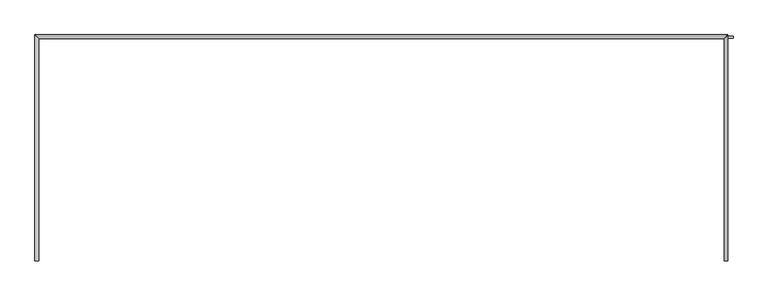
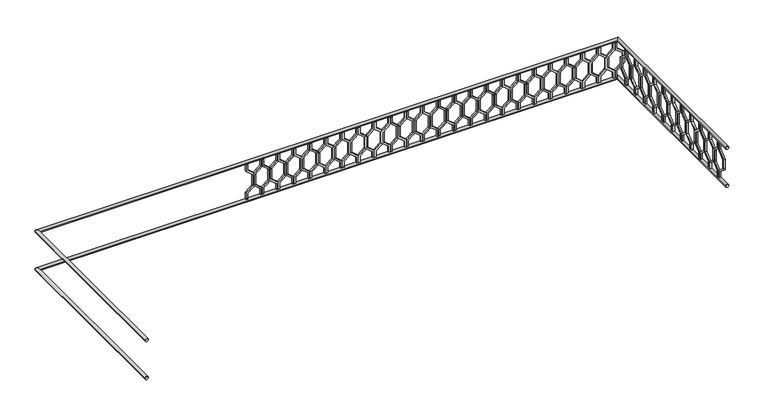
"""IFC4 building model written with IfcOpenShell, lengths in millimetres: railing geometry."""

from ifc_helpers import new_model, si_unit, frame, origin, place, context, project, spatial, polyline, circle_curve, ellipse_curve, outline, extrude, source, transform, mapped, element, save
from ifc_brep_helpers import plane_surface, cylinder_surface, advanced_brep


def railing_55e1f49f(model_context):
    return source(origin(), model_context, "Body", "SolidModel", [
        advanced_brep(
        [(42360.0112841, 903.1079487, 8880.0), (42320.0112841, 903.1079487, 8880.0), (42320.0112841, 3283.1079487, 8880.0), (42360.0112841, 3243.1079487, 8880.0), (49600.0112841, 3283.1079487, 8880.0), (49560.0112841, 3243.1079487, 8880.0), (49560.0112841, 903.1079487, 8880.0), (49600.0112841, 903.1079487, 8880.0)],
        [
            (0, 1, circle_curve(frame((42340.0112841, 903.1079487, 8880.0), z_axis=(0.0, -1.0, 0.0), x_axis=(-1.0, 0.0, 0.0)), 20.0)),
            (1, 0, circle_curve(frame((42340.0112841, 903.1079487, 8880.0), z_axis=(0.0, -1.0, 0.0), x_axis=(-1.0, 0.0, 0.0)), 20.0)),
            (1, 2),
            (2, 3, ellipse_curve(frame((42340.0112841, 3263.1079487, 8880.0), z_axis=(-0.7071067811865475, -0.7071067811865476, 0.0), x_axis=(0.7071067811865476, -0.7071067811865475, 0.0)), 28.2842712, 20.0)),
            (3, 0),
            (3, 2, ellipse_curve(frame((42340.0112841, 3263.1079487, 8880.0), z_axis=(-0.7071067811865475, -0.7071067811865476, 0.0), x_axis=(0.7071067811865476, -0.7071067811865475, 0.0)), 28.2842712, 20.0)),
            (2, 4),
            (4, 5, ellipse_curve(frame((49580.0112841, 3263.1079487, 8880.0), z_axis=(-0.7071067811865481, 0.7071067811865469, 0.0), x_axis=(-0.7071067811865469, -0.7071067811865481, 0.0)), 28.2842712, 20.0)),
            (5, 3),
            (5, 4, ellipse_curve(frame((49580.0112841, 3263.1079487, 8880.0), z_axis=(-0.7071067811865481, 0.7071067811865469, 0.0), x_axis=(-0.7071067811865469, -0.7071067811865481, 0.0)), 28.2842712, 20.0)),
            (6, 7, circle_curve(frame((49580.0112841, 903.1079487, 8880.0), z_axis=(0.0, -1.0, 0.0), x_axis=(1.0, 0.0, 0.0)), 20.0)),
            (7, 6, circle_curve(frame((49580.0112841, 903.1079487, 8880.0), z_axis=(0.0, -1.0, 0.0), x_axis=(1.0, 0.0, 0.0)), 20.0)),
            (4, 7),
            (6, 5),
        ],
        [
            plane_surface(frame((42340.0112841, 903.1079487, 8900.0), z_axis=(0.0, -1.0, 0.0), x_axis=(0.0, 0.0, 1.0))),
            cylinder_surface(frame((42340.0112841, 903.1079487, 8880.0), z_axis=(0.0, -1.0, 0.0), x_axis=(-1.0, 0.0, 0.0)), 20.0),
            cylinder_surface(frame((42340.0112841, 3263.1079487, 8880.0), z_axis=(-1.0, 0.0, 0.0), x_axis=(0.0, 1.0, 0.0)), 20.0),
            plane_surface(frame((49580.0112841, 903.1079487, 8900.0), z_axis=(0.0, -1.0, 0.0), x_axis=(0.0, 0.0, -1.0))),
            cylinder_surface(frame((49580.0112841, 3263.1079487, 8880.0), z_axis=(0.0, 1.0, 0.0), x_axis=(1.0, 0.0, 0.0)), 20.0),
        ],
        [
            (0, [[1, 2]]),
            (1, [[-2, 3, 4, 5]]),
            (1, [[-1, -5, 6, -3]]),
            (2, [[-4, 7, 8, 9]]),
            (2, [[-6, -9, 10, -7]]),
            (3, [[11, 12]]),
            (4, [[-8, 13, -11, 14]]),
            (4, [[-10, -14, -12, -13]]),
        ],
    ),
        advanced_brep(
        [(42360.0112841, 903.1079487, 8380.0), (42320.0112841, 903.1079487, 8380.0), (42320.0112841, 3283.1079487, 8380.0), (42360.0112841, 3243.1079487, 8380.0), (49600.0112841, 3283.1079487, 8380.0), (49560.0112841, 3243.1079487, 8380.0), (49560.0112841, 903.1079487, 8380.0), (49600.0112841, 903.1079487, 8380.0)],
        [
            (0, 1, circle_curve(frame((42340.0112841, 903.1079487, 8380.0), z_axis=(0.0, -1.0, 0.0), x_axis=(-1.0, 0.0, 0.0)), 20.0)),
            (1, 0, circle_curve(frame((42340.0112841, 903.1079487, 8380.0), z_axis=(0.0, -1.0, 0.0), x_axis=(-1.0, 0.0, 0.0)), 20.0)),
            (1, 2),
            (2, 3, ellipse_curve(frame((42340.0112841, 3263.1079487, 8380.0), z_axis=(-0.7071067811865475, -0.7071067811865476, 0.0), x_axis=(0.7071067811865476, -0.7071067811865475, 0.0)), 28.2842712, 20.0)),
            (3, 0),
            (3, 2, ellipse_curve(frame((42340.0112841, 3263.1079487, 8380.0), z_axis=(-0.7071067811865475, -0.7071067811865476, 0.0), x_axis=(0.7071067811865476, -0.7071067811865475, 0.0)), 28.2842712, 20.0)),
            (2, 4),
            (4, 5, ellipse_curve(frame((49580.0112841, 3263.1079487, 8380.0), z_axis=(-0.7071067811865481, 0.7071067811865469, 0.0), x_axis=(-0.7071067811865469, -0.7071067811865481, 0.0)), 28.2842712, 20.0)),
            (5, 3),
            (5, 4, ellipse_curve(frame((49580.0112841, 3263.1079487, 8380.0), z_axis=(-0.7071067811865481, 0.7071067811865469, 0.0), x_axis=(-0.7071067811865469, -0.7071067811865481, 0.0)), 28.2842712, 20.0)),
            (6, 7, circle_curve(frame((49580.0112841, 903.1079487, 8380.0), z_axis=(0.0, -1.0, 0.0), x_axis=(1.0, 0.0, 0.0)), 20.0)),
            (7, 6, circle_curve(frame((49580.0112841, 903.1079487, 8380.0), z_axis=(0.0, -1.0, 0.0), x_axis=(1.0, 0.0, 0.0)), 20.0)),
            (4, 7),
            (6, 5),
        ],
        [
            plane_surface(frame((42340.0112841, 903.1079487, 8400.0), z_axis=(0.0, -1.0, 0.0), x_axis=(0.0, 0.0, 1.0))),
            cylinder_surface(frame((42340.0112841, 903.1079487, 8380.0), z_axis=(0.0, -1.0, 0.0), x_axis=(-1.0, 0.0, 0.0)), 20.0),
            cylinder_surface(frame((42340.0112841, 3263.1079487, 8380.0), z_axis=(-1.0, 0.0, 0.0), x_axis=(0.0, 1.0, 0.0)), 20.0),
            plane_surface(frame((49580.0112841, 903.1079487, 8400.0), z_axis=(0.0, -1.0, 0.0), x_axis=(0.0, 0.0, -1.0))),
            cylinder_surface(frame((49580.0112841, 3263.1079487, 8380.0), z_axis=(0.0, 1.0, 0.0), x_axis=(1.0, 0.0, 0.0)), 20.0),
        ],
        [
            (0, [[1, 2]]),
            (1, [[-2, 3, 4, 5]]),
            (1, [[-1, -5, 6, -3]]),
            (2, [[-4, 7, 8, 9]]),
            (2, [[-6, -9, 10, -7]]),
            (3, [[11, 12]]),
            (4, [[-8, 13, -11, 14]]),
            (4, [[-10, -14, -12, -13]]),
        ],
    ),
        extrude(outline(polyline([(1068.1079487, 8860.0), (1068.1079487, 8770.448155), (969.1129993, 8690.448155), (969.1129993, 8569.551845), (1068.1079487, 8489.551845), (1068.1079487, 8400.0), (1048.1079487, 8400.0), (1048.1079487, 8480.0), (949.1129993, 8560.0), (949.1129993, 8700.0), (1048.1079487, 8780.0), (1048.1079487, 8860.0), (1068.1079487, 8860.0)])), frame((49565.0112841, 0.0, 0.0), z_axis=(1.0, 0.0, 0.0), x_axis=(0.0, 1.0, 0.0)), (0.0, 0.0, 1.0), 20.0),
        extrude(outline(polyline([(1068.1079487, 8860.0), (1088.1079487, 8860.0), (1088.1079487, 8780.0), (1187.102898, 8700.0), (1187.102898, 8560.0), (1088.1079487, 8480.0), (1088.1079487, 8400.0), (1068.1079487, 8400.0), (1068.1079487, 8489.551845), (1167.102898, 8569.551845), (1167.102898, 8690.448155), (1068.1079487, 8770.448155), (1068.1079487, 8860.0)])), frame((49565.0112841, 0.0, 0.0), z_axis=(1.0, 0.0, 0.0), x_axis=(0.0, 1.0, 0.0)), (0.0, 0.0, 1.0), 20.0),
        extrude(outline(polyline([(1268.1079487, 8860.0), (1268.1079487, 8770.448155), (1169.1129993, 8690.448155), (1169.1129993, 8569.551845), (1268.1079487, 8489.551845), (1268.1079487, 8400.0), (1248.1079487, 8400.0), (1248.1079487, 8480.0), (1149.1129993, 8560.0), (1149.1129993, 8700.0), (1248.1079487, 8780.0), (1248.1079487, 8860.0), (1268.1079487, 8860.0)])), frame((49565.0112841, 0.0, 0.0), z_axis=(1.0, 0.0, 0.0), x_axis=(0.0, 1.0, 0.0)), (0.0, 0.0, 1.0), 20.0),
        extrude(outline(polyline([(1268.1079487, 8860.0), (1288.1079487, 8860.0), (1288.1079487, 8780.0), (1387.102898, 8700.0), (1387.102898, 8560.0), (1288.1079487, 8480.0), (1288.1079487, 8400.0), (1268.1079487, 8400.0), (1268.1079487, 8489.551845), (1367.102898, 8569.551845), (1367.102898, 8690.448155), (1268.1079487, 8770.448155), (1268.1079487, 8860.0)])), frame((49565.0112841, 0.0, 0.0), z_axis=(1.0, 0.0, 0.0), x_axis=(0.0, 1.0, 0.0)), (0.0, 0.0, 1.0), 20.0),
        extrude(outline(polyline([(1468.1079487, 8860.0), (1468.1079487, 8770.448155), (1369.1129993, 8690.448155), (1369.1129993, 8569.551845), (1468.1079487, 8489.551845), (1468.1079487, 8400.0), (1448.1079487, 8400.0), (1448.1079487, 8480.0), (1349.1129993, 8560.0), (1349.1129993, 8700.0), (1448.1079487, 8780.0), (1448.1079487, 8860.0), (1468.1079487, 8860.0)])), frame((49565.0112841, 0.0, 0.0), z_axis=(1.0, 0.0, 0.0), x_axis=(0.0, 1.0, 0.0)), (0.0, 0.0, 1.0), 20.0),
        extrude(outline(polyline([(1468.1079487, 8860.0), (1488.1079487, 8860.0), (1488.1079487, 8780.0), (1587.102898, 8700.0), (1587.102898, 8560.0), (1488.1079487, 8480.0), (1488.1079487, 8400.0), (1468.1079487, 8400.0), (1468.1079487, 8489.551845), (1567.102898, 8569.551845), (1567.102898, 8690.448155), (1468.1079487, 8770.448155), (1468.1079487, 8860.0)])), frame((49565.0112841, 0.0, 0.0), z_axis=(1.0, 0.0, 0.0), x_axis=(0.0, 1.0, 0.0)), (0.0, 0.0, 1.0), 20.0),
        extrude(outline(polyline([(1668.1079487, 8860.0), (1668.1079487, 8770.448155), (1569.1129993, 8690.448155), (1569.1129993, 8569.551845), (1668.1079487, 8489.551845), (1668.1079487, 8400.0), (1648.1079487, 8400.0), (1648.1079487, 8480.0), (1549.1129993, 8560.0), (1549.1129993, 8700.0), (1648.1079487, 8780.0), (1648.1079487, 8860.0), (1668.1079487, 8860.0)])), frame((49565.0112841, 0.0, 0.0), z_axis=(1.0, 0.0, 0.0), x_axis=(0.0, 1.0, 0.0)), (0.0, 0.0, 1.0), 20.0),
        extrude(outline(polyline([(1668.1079487, 8860.0), (1688.1079487, 8860.0), (1688.1079487, 8780.0), (1787.102898, 8700.0), (1787.102898, 8560.0), (1688.1079487, 8480.0), (1688.1079487, 8400.0), (1668.1079487, 8400.0), (1668.1079487, 8489.551845), (1767.102898, 8569.551845), (1767.102898, 8690.448155), (1668.1079487, 8770.448155), (1668.1079487, 8860.0)])), frame((49565.0112841, 0.0, 0.0), z_axis=(1.0, 0.0, 0.0), x_axis=(0.0, 1.0, 0.0)), (0.0, 0.0, 1.0), 20.0),
        extrude(outline(polyline([(1868.1079487, 8860.0), (1868.1079487, 8770.448155), (1769.1129993, 8690.448155), (1769.1129993, 8569.551845), (1868.1079487, 8489.551845), (1868.1079487, 8400.0), (1848.1079487, 8400.0), (1848.1079487, 8480.0), (1749.1129993, 8560.0), (1749.1129993, 8700.0), (1848.1079487, 8780.0), (1848.1079487, 8860.0), (1868.1079487, 8860.0)])), frame((49565.0112841, 0.0, 0.0), z_axis=(1.0, 0.0, 0.0), x_axis=(0.0, 1.0, 0.0)), (0.0, 0.0, 1.0), 20.0),
        extrude(outline(polyline([(1868.1079487, 8860.0), (1888.1079487, 8860.0), (1888.1079487, 8780.0), (1987.102898, 8700.0), (1987.102898, 8560.0), (1888.1079487, 8480.0), (1888.1079487, 8400.0), (1868.1079487, 8400.0), (1868.1079487, 8489.551845), (1967.102898, 8569.551845), (1967.102898, 8690.448155), (1868.1079487, 8770.448155), (1868.1079487, 8860.0)])), frame((49565.0112841, 0.0, 0.0), z_axis=(1.0, 0.0, 0.0), x_axis=(0.0, 1.0, 0.0)), (0.0, 0.0, 1.0), 20.0),
        extrude(outline(polyline([(2068.1079487, 8860.0), (2068.1079487, 8770.448155), (1969.1129993, 8690.448155), (1969.1129993, 8569.551845), (2068.1079487, 8489.551845), (2068.1079487, 8400.0), (2048.1079487, 8400.0), (2048.1079487, 8480.0), (1949.1129993, 8560.0), (1949.1129993, 8700.0), (2048.1079487, 8780.0), (2048.1079487, 8860.0), (2068.1079487, 8860.0)])), frame((49565.0112841, 0.0, 0.0), z_axis=(1.0, 0.0, 0.0), x_axis=(0.0, 1.0, 0.0)), (0.0, 0.0, 1.0), 20.0),
        extrude(outline(polyline([(2068.1079487, 8860.0), (2088.1079487, 8860.0), (2088.1079487, 8780.0), (2187.102898, 8700.0), (2187.102898, 8560.0), (2088.1079487, 8480.0), (2088.1079487, 8400.0), (2068.1079487, 8400.0), (2068.1079487, 8489.551845), (2167.102898, 8569.551845), (2167.102898, 8690.448155), (2068.1079487, 8770.448155), (2068.1079487, 8860.0)])), frame((49565.0112841, 0.0, 0.0), z_axis=(1.0, 0.0, 0.0), x_axis=(0.0, 1.0, 0.0)), (0.0, 0.0, 1.0), 20.0),
        extrude(outline(polyline([(2268.1079487, 8860.0), (2268.1079487, 8770.448155), (2169.1129993, 8690.448155), (2169.1129993, 8569.551845), (2268.1079487, 8489.551845), (2268.1079487, 8400.0), (2248.1079487, 8400.0), (2248.1079487, 8480.0), (2149.1129993, 8560.0), (2149.1129993, 8700.0), (2248.1079487, 8780.0), (2248.1079487, 8860.0), (2268.1079487, 8860.0)])), frame((49565.0112841, 0.0, 0.0), z_axis=(1.0, 0.0, 0.0), x_axis=(0.0, 1.0, 0.0)), (0.0, 0.0, 1.0), 20.0),
        extrude(outline(polyline([(2268.1079487, 8860.0), (2288.1079487, 8860.0), (2288.1079487, 8780.0), (2387.102898, 8700.0), (2387.102898, 8560.0), (2288.1079487, 8480.0), (2288.1079487, 8400.0), (2268.1079487, 8400.0), (2268.1079487, 8489.551845), (2367.102898, 8569.551845), (2367.102898, 8690.448155), (2268.1079487, 8770.448155), (2268.1079487, 8860.0)])), frame((49565.0112841, 0.0, 0.0), z_axis=(1.0, 0.0, 0.0), x_axis=(0.0, 1.0, 0.0)), (0.0, 0.0, 1.0), 20.0),
        extrude(outline(polyline([(2468.1079487, 8860.0), (2468.1079487, 8770.448155), (2369.1129993, 8690.448155), (2369.1129993, 8569.551845), (2468.1079487, 8489.551845), (2468.1079487, 8400.0), (2448.1079487, 8400.0), (2448.1079487, 8480.0), (2349.1129993, 8560.0), (2349.1129993, 8700.0), (2448.1079487, 8780.0), (2448.1079487, 8860.0), (2468.1079487, 8860.0)])), frame((49565.0112841, 0.0, 0.0), z_axis=(1.0, 0.0, 0.0), x_axis=(0.0, 1.0, 0.0)), (0.0, 0.0, 1.0), 20.0),
        extrude(outline(polyline([(2468.1079487, 8860.0), (2488.1079487, 8860.0), (2488.1079487, 8780.0), (2587.102898, 8700.0), (2587.102898, 8560.0), (2488.1079487, 8480.0), (2488.1079487, 8400.0), (2468.1079487, 8400.0), (2468.1079487, 8489.551845), (2567.102898, 8569.551845), (2567.102898, 8690.448155), (2468.1079487, 8770.448155), (2468.1079487, 8860.0)])), frame((49565.0112841, 0.0, 0.0), z_axis=(1.0, 0.0, 0.0), x_axis=(0.0, 1.0, 0.0)), (0.0, 0.0, 1.0), 20.0),
        extrude(outline(polyline([(2668.1079487, 8860.0), (2668.1079487, 8770.448155), (2569.1129993, 8690.448155), (2569.1129993, 8569.551845), (2668.1079487, 8489.551845), (2668.1079487, 8400.0), (2648.1079487, 8400.0), (2648.1079487, 8480.0), (2549.1129993, 8560.0), (2549.1129993, 8700.0), (2648.1079487, 8780.0), (2648.1079487, 8860.0), (2668.1079487, 8860.0)])), frame((49565.0112841, 0.0, 0.0), z_axis=(1.0, 0.0, 0.0), x_axis=(0.0, 1.0, 0.0)), (0.0, 0.0, 1.0), 20.0),
        extrude(outline(polyline([(2668.1079487, 8860.0), (2688.1079487, 8860.0), (2688.1079487, 8780.0), (2787.102898, 8700.0), (2787.102898, 8560.0), (2688.1079487, 8480.0), (2688.1079487, 8400.0), (2668.1079487, 8400.0), (2668.1079487, 8489.551845), (2767.102898, 8569.551845), (2767.102898, 8690.448155), (2668.1079487, 8770.448155), (2668.1079487, 8860.0)])), frame((49565.0112841, 0.0, 0.0), z_axis=(1.0, 0.0, 0.0), x_axis=(0.0, 1.0, 0.0)), (0.0, 0.0, 1.0), 20.0),
        extrude(outline(polyline([(2868.1079487, 8860.0), (2868.1079487, 8770.448155), (2769.1129993, 8690.448155), (2769.1129993, 8569.551845), (2868.1079487, 8489.551845), (2868.1079487, 8400.0), (2848.1079487, 8400.0), (2848.1079487, 8480.0), (2749.1129993, 8560.0), (2749.1129993, 8700.0), (2848.1079487, 8780.0), (2848.1079487, 8860.0), (2868.1079487, 8860.0)])), frame((49565.0112841, 0.0, 0.0), z_axis=(1.0, 0.0, 0.0), x_axis=(0.0, 1.0, 0.0)), (0.0, 0.0, 1.0), 20.0),
        extrude(outline(polyline([(2868.1079487, 8860.0), (2888.1079487, 8860.0), (2888.1079487, 8780.0), (2987.102898, 8700.0), (2987.102898, 8560.0), (2888.1079487, 8480.0), (2888.1079487, 8400.0), (2868.1079487, 8400.0), (2868.1079487, 8489.551845), (2967.102898, 8569.551845), (2967.102898, 8690.448155), (2868.1079487, 8770.448155), (2868.1079487, 8860.0)])), frame((49565.0112841, 0.0, 0.0), z_axis=(1.0, 0.0, 0.0), x_axis=(0.0, 1.0, 0.0)), (0.0, 0.0, 1.0), 20.0),
        extrude(outline(polyline([(3068.1079487, 8860.0), (3068.1079487, 8770.448155), (2969.1129993, 8690.448155), (2969.1129993, 8569.551845), (3068.1079487, 8489.551845), (3068.1079487, 8400.0), (3048.1079487, 8400.0), (3048.1079487, 8480.0), (2949.1129993, 8560.0), (2949.1129993, 8700.0), (3048.1079487, 8780.0), (3048.1079487, 8860.0), (3068.1079487, 8860.0)])), frame((49565.0112841, 0.0, 0.0), z_axis=(1.0, 0.0, 0.0), x_axis=(0.0, 1.0, 0.0)), (0.0, 0.0, 1.0), 20.0),
        extrude(outline(polyline([(3068.1079487, 8860.0), (3088.1079487, 8860.0), (3088.1079487, 8780.0), (3187.102898, 8700.0), (3187.102898, 8560.0), (3088.1079487, 8480.0), (3088.1079487, 8400.0), (3068.1079487, 8400.0), (3068.1079487, 8489.551845), (3167.102898, 8569.551845), (3167.102898, 8690.448155), (3068.1079487, 8770.448155), (3068.1079487, 8860.0)])), frame((49565.0112841, 0.0, 0.0), z_axis=(1.0, 0.0, 0.0), x_axis=(0.0, 1.0, 0.0)), (0.0, 0.0, 1.0), 20.0),
        extrude(outline(polyline([(8860.0, 49535.0112841), (8770.448155, 49535.0112841), (8690.448155, 49634.0062335), (8569.551845, 49634.0062335), (8489.551845, 49535.0112841), (8400.0, 49535.0112841), (8400.0, 49555.0112841), (8480.0, 49555.0112841), (8560.0, 49654.0062335), (8700.0, 49654.0062335), (8780.0, 49555.0112841), (8860.0, 49555.0112841), (8860.0, 49535.0112841)])), frame((0.0, 3248.1079487, 0.0), z_axis=(0.0, 1.0, 0.0), x_axis=(0.0, 0.0, 1.0)), (0.0, 0.0, 1.0), 20.0),
        extrude(outline(polyline([(8860.0, 49535.0112841), (8860.0, 49515.0112841), (8780.0, 49515.0112841), (8700.0, 49416.0163347), (8560.0, 49416.0163347), (8480.0, 49515.0112841), (8400.0, 49515.0112841), (8400.0, 49535.0112841), (8489.551845, 49535.0112841), (8569.551845, 49436.0163347), (8690.448155, 49436.0163347), (8770.448155, 49535.0112841), (8860.0, 49535.0112841)])), frame((0.0, 3248.1079487, 0.0), z_axis=(0.0, 1.0, 0.0), x_axis=(0.0, 0.0, 1.0)), (0.0, 0.0, 1.0), 20.0),
        extrude(outline(polyline([(8860.0, 49335.0112841), (8770.448155, 49335.0112841), (8690.448155, 49434.0062335), (8569.551845, 49434.0062335), (8489.551845, 49335.0112841), (8400.0, 49335.0112841), (8400.0, 49355.0112841), (8480.0, 49355.0112841), (8560.0, 49454.0062335), (8700.0, 49454.0062335), (8780.0, 49355.0112841), (8860.0, 49355.0112841), (8860.0, 49335.0112841)])), frame((0.0, 3248.1079487, 0.0), z_axis=(0.0, 1.0, 0.0), x_axis=(0.0, 0.0, 1.0)), (0.0, 0.0, 1.0), 20.0),
        extrude(outline(polyline([(8860.0, 49335.0112841), (8860.0, 49315.0112841), (8780.0, 49315.0112841), (8700.0, 49216.0163347), (8560.0, 49216.0163347), (8480.0, 49315.0112841), (8400.0, 49315.0112841), (8400.0, 49335.0112841), (8489.551845, 49335.0112841), (8569.551845, 49236.0163347), (8690.448155, 49236.0163347), (8770.448155, 49335.0112841), (8860.0, 49335.0112841)])), frame((0.0, 3248.1079487, 0.0), z_axis=(0.0, 1.0, 0.0), x_axis=(0.0, 0.0, 1.0)), (0.0, 0.0, 1.0), 20.0),
        extrude(outline(polyline([(8860.0, 49135.0112841), (8770.448155, 49135.0112841), (8690.448155, 49234.0062335), (8569.551845, 49234.0062335), (8489.551845, 49135.0112841), (8400.0, 49135.0112841), (8400.0, 49155.0112841), (8480.0, 49155.0112841), (8560.0, 49254.0062335), (8700.0, 49254.0062335), (8780.0, 49155.0112841), (8860.0, 49155.0112841), (8860.0, 49135.0112841)])), frame((0.0, 3248.1079487, 0.0), z_axis=(0.0, 1.0, 0.0), x_axis=(0.0, 0.0, 1.0)), (0.0, 0.0, 1.0), 20.0),
        extrude(outline(polyline([(8860.0, 49135.0112841), (8860.0, 49115.0112841), (8780.0, 49115.0112841), (8700.0, 49016.0163347), (8560.0, 49016.0163347), (8480.0, 49115.0112841), (8400.0, 49115.0112841), (8400.0, 49135.0112841), (8489.551845, 49135.0112841), (8569.551845, 49036.0163347), (8690.448155, 49036.0163347), (8770.448155, 49135.0112841), (8860.0, 49135.0112841)])), frame((0.0, 3248.1079487, 0.0), z_axis=(0.0, 1.0, 0.0), x_axis=(0.0, 0.0, 1.0)), (0.0, 0.0, 1.0), 20.0),
        extrude(outline(polyline([(8860.0, 48935.0112841), (8770.448155, 48935.0112841), (8690.448155, 49034.0062335), (8569.551845, 49034.0062335), (8489.551845, 48935.0112841), (8400.0, 48935.0112841), (8400.0, 48955.0112841), (8480.0, 48955.0112841), (8560.0, 49054.0062335), (8700.0, 49054.0062335), (8780.0, 48955.0112841), (8860.0, 48955.0112841), (8860.0, 48935.0112841)])), frame((0.0, 3248.1079487, 0.0), z_axis=(0.0, 1.0, 0.0), x_axis=(0.0, 0.0, 1.0)), (0.0, 0.0, 1.0), 20.0),
        extrude(outline(polyline([(8860.0, 48935.0112841), (8860.0, 48915.0112841), (8780.0, 48915.0112841), (8700.0, 48816.0163347), (8560.0, 48816.0163347), (8480.0, 48915.0112841), (8400.0, 48915.0112841), (8400.0, 48935.0112841), (8489.551845, 48935.0112841), (8569.551845, 48836.0163347), (8690.448155, 48836.0163347), (8770.448155, 48935.0112841), (8860.0, 48935.0112841)])), frame((0.0, 3248.1079487, 0.0), z_axis=(0.0, 1.0, 0.0), x_axis=(0.0, 0.0, 1.0)), (0.0, 0.0, 1.0), 20.0),
        extrude(outline(polyline([(8860.0, 48735.0112841), (8770.448155, 48735.0112841), (8690.448155, 48834.0062335), (8569.551845, 48834.0062335), (8489.551845, 48735.0112841), (8400.0, 48735.0112841), (8400.0, 48755.0112841), (8480.0, 48755.0112841), (8560.0, 48854.0062335), (8700.0, 48854.0062335), (8780.0, 48755.0112841), (8860.0, 48755.0112841), (8860.0, 48735.0112841)])), frame((0.0, 3248.1079487, 0.0), z_axis=(0.0, 1.0, 0.0), x_axis=(0.0, 0.0, 1.0)), (0.0, 0.0, 1.0), 20.0),
        extrude(outline(polyline([(8860.0, 48735.0112841), (8860.0, 48715.0112841), (8780.0, 48715.0112841), (8700.0, 48616.0163347), (8560.0, 48616.0163347), (8480.0, 48715.0112841), (8400.0, 48715.0112841), (8400.0, 48735.0112841), (8489.551845, 48735.0112841), (8569.551845, 48636.0163347), (8690.448155, 48636.0163347), (8770.448155, 48735.0112841), (8860.0, 48735.0112841)])), frame((0.0, 3248.1079487, 0.0), z_axis=(0.0, 1.0, 0.0), x_axis=(0.0, 0.0, 1.0)), (0.0, 0.0, 1.0), 20.0),
        extrude(outline(polyline([(8860.0, 48535.0112841), (8770.448155, 48535.0112841), (8690.448155, 48634.0062335), (8569.551845, 48634.0062335), (8489.551845, 48535.0112841), (8400.0, 48535.0112841), (8400.0, 48555.0112841), (8480.0, 48555.0112841), (8560.0, 48654.0062335), (8700.0, 48654.0062335), (8780.0, 48555.0112841), (8860.0, 48555.0112841), (8860.0, 48535.0112841)])), frame((0.0, 3248.1079487, 0.0), z_axis=(0.0, 1.0, 0.0), x_axis=(0.0, 0.0, 1.0)), (0.0, 0.0, 1.0), 20.0),
        extrude(outline(polyline([(8860.0, 48535.0112841), (8860.0, 48515.0112841), (8780.0, 48515.0112841), (8700.0, 48416.0163347), (8560.0, 48416.0163347), (8480.0, 48515.0112841), (8400.0, 48515.0112841), (8400.0, 48535.0112841), (8489.551845, 48535.0112841), (8569.551845, 48436.0163347), (8690.448155, 48436.0163347), (8770.448155, 48535.0112841), (8860.0, 48535.0112841)])), frame((0.0, 3248.1079487, 0.0), z_axis=(0.0, 1.0, 0.0), x_axis=(0.0, 0.0, 1.0)), (0.0, 0.0, 1.0), 20.0),
        extrude(outline(polyline([(8860.0, 48335.0112841), (8770.448155, 48335.0112841), (8690.448155, 48434.0062335), (8569.551845, 48434.0062335), (8489.551845, 48335.0112841), (8400.0, 48335.0112841), (8400.0, 48355.0112841), (8480.0, 48355.0112841), (8560.0, 48454.0062335), (8700.0, 48454.0062335), (8780.0, 48355.0112841), (8860.0, 48355.0112841), (8860.0, 48335.0112841)])), frame((0.0, 3248.1079487, 0.0), z_axis=(0.0, 1.0, 0.0), x_axis=(0.0, 0.0, 1.0)), (0.0, 0.0, 1.0), 20.0),
        extrude(outline(polyline([(8860.0, 48335.0112841), (8860.0, 48315.0112841), (8780.0, 48315.0112841), (8700.0, 48216.0163347), (8560.0, 48216.0163347), (8480.0, 48315.0112841), (8400.0, 48315.0112841), (8400.0, 48335.0112841), (8489.551845, 48335.0112841), (8569.551845, 48236.0163347), (8690.448155, 48236.0163347), (8770.448155, 48335.0112841), (8860.0, 48335.0112841)])), frame((0.0, 3248.1079487, 0.0), z_axis=(0.0, 1.0, 0.0), x_axis=(0.0, 0.0, 1.0)), (0.0, 0.0, 1.0), 20.0),
        extrude(outline(polyline([(8860.0, 48135.0112841), (8770.448155, 48135.0112841), (8690.448155, 48234.0062335), (8569.551845, 48234.0062335), (8489.551845, 48135.0112841), (8400.0, 48135.0112841), (8400.0, 48155.0112841), (8480.0, 48155.0112841), (8560.0, 48254.0062335), (8700.0, 48254.0062335), (8780.0, 48155.0112841), (8860.0, 48155.0112841), (8860.0, 48135.0112841)])), frame((0.0, 3248.1079487, 0.0), z_axis=(0.0, 1.0, 0.0), x_axis=(0.0, 0.0, 1.0)), (0.0, 0.0, 1.0), 20.0),
        extrude(outline(polyline([(8860.0, 48135.0112841), (8860.0, 48115.0112841), (8780.0, 48115.0112841), (8700.0, 48016.0163347), (8560.0, 48016.0163347), (8480.0, 48115.0112841), (8400.0, 48115.0112841), (8400.0, 48135.0112841), (8489.551845, 48135.0112841), (8569.551845, 48036.0163347), (8690.448155, 48036.0163347), (8770.448155, 48135.0112841), (8860.0, 48135.0112841)])), frame((0.0, 3248.1079487, 0.0), z_axis=(0.0, 1.0, 0.0), x_axis=(0.0, 0.0, 1.0)), (0.0, 0.0, 1.0), 20.0),
        extrude(outline(polyline([(8860.0, 47935.0112841), (8770.448155, 47935.0112841), (8690.448155, 48034.0062335), (8569.551845, 48034.0062335), (8489.551845, 47935.0112841), (8400.0, 47935.0112841), (8400.0, 47955.0112841), (8480.0, 47955.0112841), (8560.0, 48054.0062335), (8700.0, 48054.0062335), (8780.0, 47955.0112841), (8860.0, 47955.0112841), (8860.0, 47935.0112841)])), frame((0.0, 3248.1079487, 0.0), z_axis=(0.0, 1.0, 0.0), x_axis=(0.0, 0.0, 1.0)), (0.0, 0.0, 1.0), 20.0),
        extrude(outline(polyline([(8860.0, 47935.0112841), (8860.0, 47915.0112841), (8780.0, 47915.0112841), (8700.0, 47816.0163347), (8560.0, 47816.0163347), (8480.0, 47915.0112841), (8400.0, 47915.0112841), (8400.0, 47935.0112841), (8489.551845, 47935.0112841), (8569.551845, 47836.0163347), (8690.448155, 47836.0163347), (8770.448155, 47935.0112841), (8860.0, 47935.0112841)])), frame((0.0, 3248.1079487, 0.0), z_axis=(0.0, 1.0, 0.0), x_axis=(0.0, 0.0, 1.0)), (0.0, 0.0, 1.0), 20.0),
        extrude(outline(polyline([(8860.0, 47735.0112841), (8770.448155, 47735.0112841), (8690.448155, 47834.0062335), (8569.551845, 47834.0062335), (8489.551845, 47735.0112841), (8400.0, 47735.0112841), (8400.0, 47755.0112841), (8480.0, 47755.0112841), (8560.0, 47854.0062335), (8700.0, 47854.0062335), (8780.0, 47755.0112841), (8860.0, 47755.0112841), (8860.0, 47735.0112841)])), frame((0.0, 3248.1079487, 0.0), z_axis=(0.0, 1.0, 0.0), x_axis=(0.0, 0.0, 1.0)), (0.0, 0.0, 1.0), 20.0),
        extrude(outline(polyline([(8860.0, 47735.0112841), (8860.0, 47715.0112841), (8780.0, 47715.0112841), (8700.0, 47616.0163347), (8560.0, 47616.0163347), (8480.0, 47715.0112841), (8400.0, 47715.0112841), (8400.0, 47735.0112841), (8489.551845, 47735.0112841), (8569.551845, 47636.0163347), (8690.448155, 47636.0163347), (8770.448155, 47735.0112841), (8860.0, 47735.0112841)])), frame((0.0, 3248.1079487, 0.0), z_axis=(0.0, 1.0, 0.0), x_axis=(0.0, 0.0, 1.0)), (0.0, 0.0, 1.0), 20.0),
        extrude(outline(polyline([(8860.0, 47535.0112841), (8770.448155, 47535.0112841), (8690.448155, 47634.0062335), (8569.551845, 47634.0062335), (8489.551845, 47535.0112841), (8400.0, 47535.0112841), (8400.0, 47555.0112841), (8480.0, 47555.0112841), (8560.0, 47654.0062335), (8700.0, 47654.0062335), (8780.0, 47555.0112841), (8860.0, 47555.0112841), (8860.0, 47535.0112841)])), frame((0.0, 3248.1079487, 0.0), z_axis=(0.0, 1.0, 0.0), x_axis=(0.0, 0.0, 1.0)), (0.0, 0.0, 1.0), 20.0),
        extrude(outline(polyline([(8860.0, 47535.0112841), (8860.0, 47515.0112841), (8780.0, 47515.0112841), (8700.0, 47416.0163347), (8560.0, 47416.0163347), (8480.0, 47515.0112841), (8400.0, 47515.0112841), (8400.0, 47535.0112841), (8489.551845, 47535.0112841), (8569.551845, 47436.0163347), (8690.448155, 47436.0163347), (8770.448155, 47535.0112841), (8860.0, 47535.0112841)])), frame((0.0, 3248.1079487, 0.0), z_axis=(0.0, 1.0, 0.0), x_axis=(0.0, 0.0, 1.0)), (0.0, 0.0, 1.0), 20.0),
        extrude(outline(polyline([(8860.0, 47335.0112841), (8770.448155, 47335.0112841), (8690.448155, 47434.0062335), (8569.551845, 47434.0062335), (8489.551845, 47335.0112841), (8400.0, 47335.0112841), (8400.0, 47355.0112841), (8480.0, 47355.0112841), (8560.0, 47454.0062335), (8700.0, 47454.0062335), (8780.0, 47355.0112841), (8860.0, 47355.0112841), (8860.0, 47335.0112841)])), frame((0.0, 3248.1079487, 0.0), z_axis=(0.0, 1.0, 0.0), x_axis=(0.0, 0.0, 1.0)), (0.0, 0.0, 1.0), 20.0),
        extrude(outline(polyline([(8860.0, 47335.0112841), (8860.0, 47315.0112841), (8780.0, 47315.0112841), (8700.0, 47216.0163347), (8560.0, 47216.0163347), (8480.0, 47315.0112841), (8400.0, 47315.0112841), (8400.0, 47335.0112841), (8489.551845, 47335.0112841), (8569.551845, 47236.0163347), (8690.448155, 47236.0163347), (8770.448155, 47335.0112841), (8860.0, 47335.0112841)])), frame((0.0, 3248.1079487, 0.0), z_axis=(0.0, 1.0, 0.0), x_axis=(0.0, 0.0, 1.0)), (0.0, 0.0, 1.0), 20.0),
        extrude(outline(polyline([(8860.0, 47135.0112841), (8770.448155, 47135.0112841), (8690.448155, 47234.0062335), (8569.551845, 47234.0062335), (8489.551845, 47135.0112841), (8400.0, 47135.0112841), (8400.0, 47155.0112841), (8480.0, 47155.0112841), (8560.0, 47254.0062335), (8700.0, 47254.0062335), (8780.0, 47155.0112841), (8860.0, 47155.0112841), (8860.0, 47135.0112841)])), frame((0.0, 3248.1079487, 0.0), z_axis=(0.0, 1.0, 0.0), x_axis=(0.0, 0.0, 1.0)), (0.0, 0.0, 1.0), 20.0),
        extrude(outline(polyline([(8860.0, 47135.0112841), (8860.0, 47115.0112841), (8780.0, 47115.0112841), (8700.0, 47016.0163347), (8560.0, 47016.0163347), (8480.0, 47115.0112841), (8400.0, 47115.0112841), (8400.0, 47135.0112841), (8489.551845, 47135.0112841), (8569.551845, 47036.0163347), (8690.448155, 47036.0163347), (8770.448155, 47135.0112841), (8860.0, 47135.0112841)])), frame((0.0, 3248.1079487, 0.0), z_axis=(0.0, 1.0, 0.0), x_axis=(0.0, 0.0, 1.0)), (0.0, 0.0, 1.0), 20.0),
        extrude(outline(polyline([(8860.0, 46935.0112841), (8770.448155, 46935.0112841), (8690.448155, 47034.0062335), (8569.551845, 47034.0062335), (8489.551845, 46935.0112841), (8400.0, 46935.0112841), (8400.0, 46955.0112841), (8480.0, 46955.0112841), (8560.0, 47054.0062335), (8700.0, 47054.0062335), (8780.0, 46955.0112841), (8860.0, 46955.0112841), (8860.0, 46935.0112841)])), frame((0.0, 3248.1079487, 0.0), z_axis=(0.0, 1.0, 0.0), x_axis=(0.0, 0.0, 1.0)), (0.0, 0.0, 1.0), 20.0),
        extrude(outline(polyline([(8860.0, 46935.0112841), (8860.0, 46915.0112841), (8780.0, 46915.0112841), (8700.0, 46816.0163347), (8560.0, 46816.0163347), (8480.0, 46915.0112841), (8400.0, 46915.0112841), (8400.0, 46935.0112841), (8489.551845, 46935.0112841), (8569.551845, 46836.0163347), (8690.448155, 46836.0163347), (8770.448155, 46935.0112841), (8860.0, 46935.0112841)])), frame((0.0, 3248.1079487, 0.0), z_axis=(0.0, 1.0, 0.0), x_axis=(0.0, 0.0, 1.0)), (0.0, 0.0, 1.0), 20.0),
        extrude(outline(polyline([(8860.0, 46735.0112841), (8770.448155, 46735.0112841), (8690.448155, 46834.0062335), (8569.551845, 46834.0062335), (8489.551845, 46735.0112841), (8400.0, 46735.0112841), (8400.0, 46755.0112841), (8480.0, 46755.0112841), (8560.0, 46854.0062335), (8700.0, 46854.0062335), (8780.0, 46755.0112841), (8860.0, 46755.0112841), (8860.0, 46735.0112841)])), frame((0.0, 3248.1079487, 0.0), z_axis=(0.0, 1.0, 0.0), x_axis=(0.0, 0.0, 1.0)), (0.0, 0.0, 1.0), 20.0),
        extrude(outline(polyline([(8860.0, 46735.0112841), (8860.0, 46715.0112841), (8780.0, 46715.0112841), (8700.0, 46616.0163347), (8560.0, 46616.0163347), (8480.0, 46715.0112841), (8400.0, 46715.0112841), (8400.0, 46735.0112841), (8489.551845, 46735.0112841), (8569.551845, 46636.0163347), (8690.448155, 46636.0163347), (8770.448155, 46735.0112841), (8860.0, 46735.0112841)])), frame((0.0, 3248.1079487, 0.0), z_axis=(0.0, 1.0, 0.0), x_axis=(0.0, 0.0, 1.0)), (0.0, 0.0, 1.0), 20.0),
        extrude(outline(polyline([(8860.0, 46535.0112841), (8770.448155, 46535.0112841), (8690.448155, 46634.0062335), (8569.551845, 46634.0062335), (8489.551845, 46535.0112841), (8400.0, 46535.0112841), (8400.0, 46555.0112841), (8480.0, 46555.0112841), (8560.0, 46654.0062335), (8700.0, 46654.0062335), (8780.0, 46555.0112841), (8860.0, 46555.0112841), (8860.0, 46535.0112841)])), frame((0.0, 3248.1079487, 0.0), z_axis=(0.0, 1.0, 0.0), x_axis=(0.0, 0.0, 1.0)), (0.0, 0.0, 1.0), 20.0),
        extrude(outline(polyline([(8860.0, 46535.0112841), (8860.0, 46515.0112841), (8780.0, 46515.0112841), (8700.0, 46416.0163347), (8560.0, 46416.0163347), (8480.0, 46515.0112841), (8400.0, 46515.0112841), (8400.0, 46535.0112841), (8489.551845, 46535.0112841), (8569.551845, 46436.0163347), (8690.448155, 46436.0163347), (8770.448155, 46535.0112841), (8860.0, 46535.0112841)])), frame((0.0, 3248.1079487, 0.0), z_axis=(0.0, 1.0, 0.0), x_axis=(0.0, 0.0, 1.0)), (0.0, 0.0, 1.0), 20.0),
        extrude(outline(polyline([(8860.0, 46335.0112841), (8770.448155, 46335.0112841), (8690.448155, 46434.0062335), (8569.551845, 46434.0062335), (8489.551845, 46335.0112841), (8400.0, 46335.0112841), (8400.0, 46355.0112841), (8480.0, 46355.0112841), (8560.0, 46454.0062335), (8700.0, 46454.0062335), (8780.0, 46355.0112841), (8860.0, 46355.0112841), (8860.0, 46335.0112841)])), frame((0.0, 3248.1079487, 0.0), z_axis=(0.0, 1.0, 0.0), x_axis=(0.0, 0.0, 1.0)), (0.0, 0.0, 1.0), 20.0),
        extrude(outline(polyline([(8860.0, 46335.0112841), (8860.0, 46315.0112841), (8780.0, 46315.0112841), (8700.0, 46216.0163347), (8560.0, 46216.0163347), (8480.0, 46315.0112841), (8400.0, 46315.0112841), (8400.0, 46335.0112841), (8489.551845, 46335.0112841), (8569.551845, 46236.0163347), (8690.448155, 46236.0163347), (8770.448155, 46335.0112841), (8860.0, 46335.0112841)])), frame((0.0, 3248.1079487, 0.0), z_axis=(0.0, 1.0, 0.0), x_axis=(0.0, 0.0, 1.0)), (0.0, 0.0, 1.0), 20.0),
        extrude(outline(polyline([(8860.0, 46135.0112841), (8770.448155, 46135.0112841), (8690.448155, 46234.0062335), (8569.551845, 46234.0062335), (8489.551845, 46135.0112841), (8400.0, 46135.0112841), (8400.0, 46155.0112841), (8480.0, 46155.0112841), (8560.0, 46254.0062335), (8700.0, 46254.0062335), (8780.0, 46155.0112841), (8860.0, 46155.0112841), (8860.0, 46135.0112841)])), frame((0.0, 3248.1079487, 0.0), z_axis=(0.0, 1.0, 0.0), x_axis=(0.0, 0.0, 1.0)), (0.0, 0.0, 1.0), 20.0),
        extrude(outline(polyline([(8860.0, 46135.0112841), (8860.0, 46115.0112841), (8780.0, 46115.0112841), (8700.0, 46016.0163347), (8560.0, 46016.0163347), (8480.0, 46115.0112841), (8400.0, 46115.0112841), (8400.0, 46135.0112841), (8489.551845, 46135.0112841), (8569.551845, 46036.0163347), (8690.448155, 46036.0163347), (8770.448155, 46135.0112841), (8860.0, 46135.0112841)])), frame((0.0, 3248.1079487, 0.0), z_axis=(0.0, 1.0, 0.0), x_axis=(0.0, 0.0, 1.0)), (0.0, 0.0, 1.0), 20.0),
        extrude(outline(polyline([(8860.0, 45935.0112841), (8770.448155, 45935.0112841), (8690.448155, 46034.0062335), (8569.551845, 46034.0062335), (8489.551845, 45935.0112841), (8400.0, 45935.0112841), (8400.0, 45955.0112841), (8480.0, 45955.0112841), (8560.0, 46054.0062335), (8700.0, 46054.0062335), (8780.0, 45955.0112841), (8860.0, 45955.0112841), (8860.0, 45935.0112841)])), frame((0.0, 3248.1079487, 0.0), z_axis=(0.0, 1.0, 0.0), x_axis=(0.0, 0.0, 1.0)), (0.0, 0.0, 1.0), 20.0),
        extrude(outline(polyline([(8860.0, 45935.0112841), (8860.0, 45915.0112841), (8780.0, 45915.0112841), (8700.0, 45816.0163347), (8560.0, 45816.0163347), (8480.0, 45915.0112841), (8400.0, 45915.0112841), (8400.0, 45935.0112841), (8489.551845, 45935.0112841), (8569.551845, 45836.0163347), (8690.448155, 45836.0163347), (8770.448155, 45935.0112841), (8860.0, 45935.0112841)])), frame((0.0, 3248.1079487, 0.0), z_axis=(0.0, 1.0, 0.0), x_axis=(0.0, 0.0, 1.0)), (0.0, 0.0, 1.0), 20.0),
        extrude(outline(polyline([(8860.0, 45735.0112841), (8770.448155, 45735.0112841), (8690.448155, 45834.0062335), (8569.551845, 45834.0062335), (8489.551845, 45735.0112841), (8400.0, 45735.0112841), (8400.0, 45755.0112841), (8480.0, 45755.0112841), (8560.0, 45854.0062335), (8700.0, 45854.0062335), (8780.0, 45755.0112841), (8860.0, 45755.0112841), (8860.0, 45735.0112841)])), frame((0.0, 3248.1079487, 0.0), z_axis=(0.0, 1.0, 0.0), x_axis=(0.0, 0.0, 1.0)), (0.0, 0.0, 1.0), 20.0),
        extrude(outline(polyline([(8860.0, 45735.0112841), (8860.0, 45715.0112841), (8780.0, 45715.0112841), (8700.0, 45616.0163347), (8560.0, 45616.0163347), (8480.0, 45715.0112841), (8400.0, 45715.0112841), (8400.0, 45735.0112841), (8489.551845, 45735.0112841), (8569.551845, 45636.0163347), (8690.448155, 45636.0163347), (8770.448155, 45735.0112841), (8860.0, 45735.0112841)])), frame((0.0, 3248.1079487, 0.0), z_axis=(0.0, 1.0, 0.0), x_axis=(0.0, 0.0, 1.0)), (0.0, 0.0, 1.0), 20.0),
        extrude(outline(polyline([(8860.0, 45535.0112841), (8770.448155, 45535.0112841), (8690.448155, 45634.0062335), (8569.551845, 45634.0062335), (8489.551845, 45535.0112841), (8400.0, 45535.0112841), (8400.0, 45555.0112841), (8480.0, 45555.0112841), (8560.0, 45654.0062335), (8700.0, 45654.0062335), (8780.0, 45555.0112841), (8860.0, 45555.0112841), (8860.0, 45535.0112841)])), frame((0.0, 3248.1079487, 0.0), z_axis=(0.0, 1.0, 0.0), x_axis=(0.0, 0.0, 1.0)), (0.0, 0.0, 1.0), 20.0),
        extrude(outline(polyline([(8860.0, 45535.0112841), (8860.0, 45515.0112841), (8780.0, 45515.0112841), (8700.0, 45416.0163347), (8560.0, 45416.0163347), (8480.0, 45515.0112841), (8400.0, 45515.0112841), (8400.0, 45535.0112841), (8489.551845, 45535.0112841), (8569.551845, 45436.0163347), (8690.448155, 45436.0163347), (8770.448155, 45535.0112841), (8860.0, 45535.0112841)])), frame((0.0, 3248.1079487, 0.0), z_axis=(0.0, 1.0, 0.0), x_axis=(0.0, 0.0, 1.0)), (0.0, 0.0, 1.0), 20.0),
        extrude(outline(polyline([(8860.0, 45335.0112841), (8770.448155, 45335.0112841), (8690.448155, 45434.0062335), (8569.551845, 45434.0062335), (8489.551845, 45335.0112841), (8400.0, 45335.0112841), (8400.0, 45355.0112841), (8480.0, 45355.0112841), (8560.0, 45454.0062335), (8700.0, 45454.0062335), (8780.0, 45355.0112841), (8860.0, 45355.0112841), (8860.0, 45335.0112841)])), frame((0.0, 3248.1079487, 0.0), z_axis=(0.0, 1.0, 0.0), x_axis=(0.0, 0.0, 1.0)), (0.0, 0.0, 1.0), 20.0),
        extrude(outline(polyline([(8860.0, 45335.0112841), (8860.0, 45315.0112841), (8780.0, 45315.0112841), (8700.0, 45216.0163347), (8560.0, 45216.0163347), (8480.0, 45315.0112841), (8400.0, 45315.0112841), (8400.0, 45335.0112841), (8489.551845, 45335.0112841), (8569.551845, 45236.0163347), (8690.448155, 45236.0163347), (8770.448155, 45335.0112841), (8860.0, 45335.0112841)])), frame((0.0, 3248.1079487, 0.0), z_axis=(0.0, 1.0, 0.0), x_axis=(0.0, 0.0, 1.0)), (0.0, 0.0, 1.0), 20.0),
        extrude(outline(polyline([(8860.0, 45135.0112841), (8770.448155, 45135.0112841), (8690.448155, 45234.0062335), (8569.551845, 45234.0062335), (8489.551845, 45135.0112841), (8400.0, 45135.0112841), (8400.0, 45155.0112841), (8480.0, 45155.0112841), (8560.0, 45254.0062335), (8700.0, 45254.0062335), (8780.0, 45155.0112841), (8860.0, 45155.0112841), (8860.0, 45135.0112841)])), frame((0.0, 3248.1079487, 0.0), z_axis=(0.0, 1.0, 0.0), x_axis=(0.0, 0.0, 1.0)), (0.0, 0.0, 1.0), 20.0),
        extrude(outline(polyline([(8860.0, 45135.0112841), (8860.0, 45115.0112841), (8780.0, 45115.0112841), (8700.0, 45016.0163347), (8560.0, 45016.0163347), (8480.0, 45115.0112841), (8400.0, 45115.0112841), (8400.0, 45135.0112841), (8489.551845, 45135.0112841), (8569.551845, 45036.0163347), (8690.448155, 45036.0163347), (8770.448155, 45135.0112841), (8860.0, 45135.0112841)])), frame((0.0, 3248.1079487, 0.0), z_axis=(0.0, 1.0, 0.0), x_axis=(0.0, 0.0, 1.0)), (0.0, 0.0, 1.0), 20.0),
        extrude(outline(polyline([(8860.0, 44935.0112841), (8770.448155, 44935.0112841), (8690.448155, 45034.0062335), (8569.551845, 45034.0062335), (8489.551845, 44935.0112841), (8400.0, 44935.0112841), (8400.0, 44955.0112841), (8480.0, 44955.0112841), (8560.0, 45054.0062335), (8700.0, 45054.0062335), (8780.0, 44955.0112841), (8860.0, 44955.0112841), (8860.0, 44935.0112841)])), frame((0.0, 3248.1079487, 0.0), z_axis=(0.0, 1.0, 0.0), x_axis=(0.0, 0.0, 1.0)), (0.0, 0.0, 1.0), 20.0),
    ])


if __name__ == "__main__":
    model = new_model("IFC4")
    model_context = context("Model", 3, world=origin())
    ifc_project = project(units=[si_unit("LENGTHUNIT", "METRE", prefix="MILLI")], contexts=[model_context])
    site = spatial("IfcSite", under=ifc_project)
    building = spatial("IfcBuilding", under=site)
    placement = place(None, origin())
    railing_shape = railing_55e1f49f(model_context)
    element("IfcRailing", 1, at=placement, inside=building, context=model_context, shape_type="MappedRepresentation", body=[
        mapped(railing_shape, transform((0.0, 0.0, 0.0), x_axis=(1.0, 0.0, 0.0), y_axis=(0.0, 1.0, 0.0), z_axis=(0.0, 0.0, 1.0))),
    ])
    save(model, "model.ifc")
